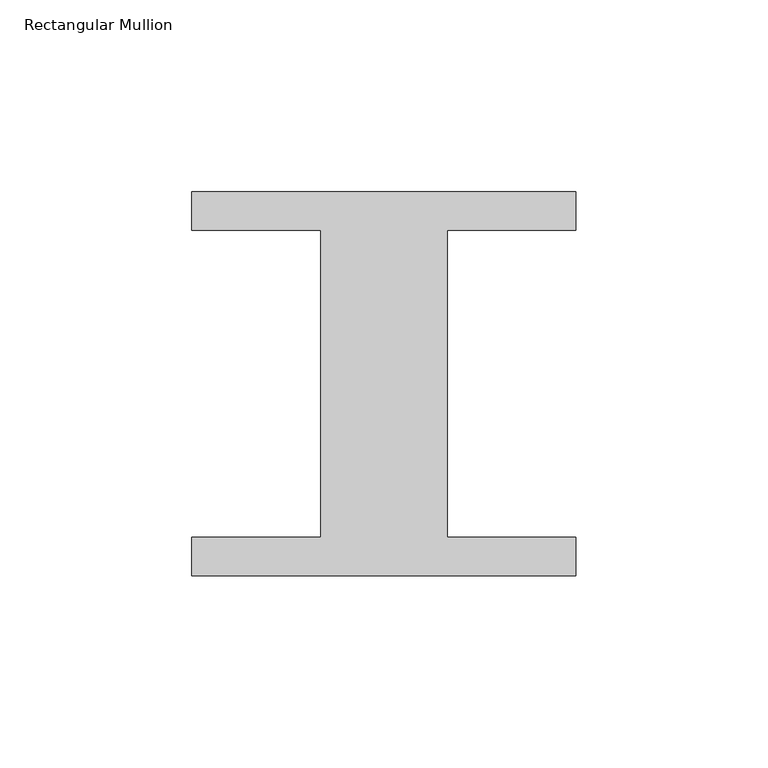
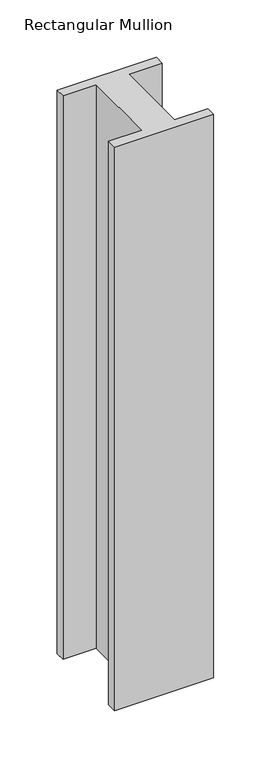
"""IFC4 building model written with IfcOpenShell, lengths in millimetres: member geometry, Rectangular Mullion."""

from ifc_helpers import new_model, si_unit, frame, origin, place, context, project, spatial, polyline, outline, extrude, source, transform, mapped, element, save


def rectangular_mullion_649d446e(model_context):
    return source(origin(), model_context, "Body", "SweptSolid", [
        extrude(outline(polyline([(-50.0, -50.0), (-50.0, -40.0), (-16.4505098, -40.0), (-16.4505098, 40.0), (-50.0, 40.0), (-50.0, 50.0), (50.0, 50.0), (50.0, 40.0), (16.4715162, 40.0), (16.4715162, -40.0), (50.0, -40.0), (50.0, -50.0), (-50.0, -50.0)])), frame((0.0, 0.0, -600.0), z_axis=(0.0, 0.0, 1.0), x_axis=(1.0, 0.0, 0.0)), (0.0, 0.0, 1.0), 600.0),
    ])


if __name__ == "__main__":
    model = new_model("IFC4")
    model_context = context("Model", 3, world=origin())
    ifc_project = project(units=[si_unit("LENGTHUNIT", "METRE", prefix="MILLI")], contexts=[model_context])
    site = spatial("IfcSite", under=ifc_project)
    building = spatial("IfcBuilding", under=site)
    placement = place(None, origin())
    rectangular_mullion_shape = rectangular_mullion_649d446e(model_context)
    element("IfcMember", 1, ObjectType="Rectangular Mullion", at=placement, inside=building, context=model_context, shape_type="MappedRepresentation", body=[
        mapped(rectangular_mullion_shape, transform((0.0, 0.0, 0.0), x_axis=(1.0, 0.0, 0.0), y_axis=(0.0, 1.0, 0.0), z_axis=(0.0, 0.0, 1.0))),
    ])
    save(model, "model.ifc")
